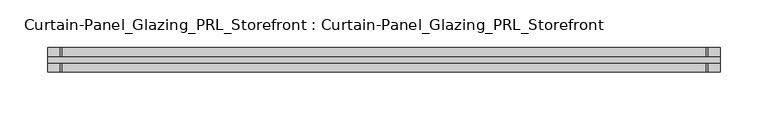
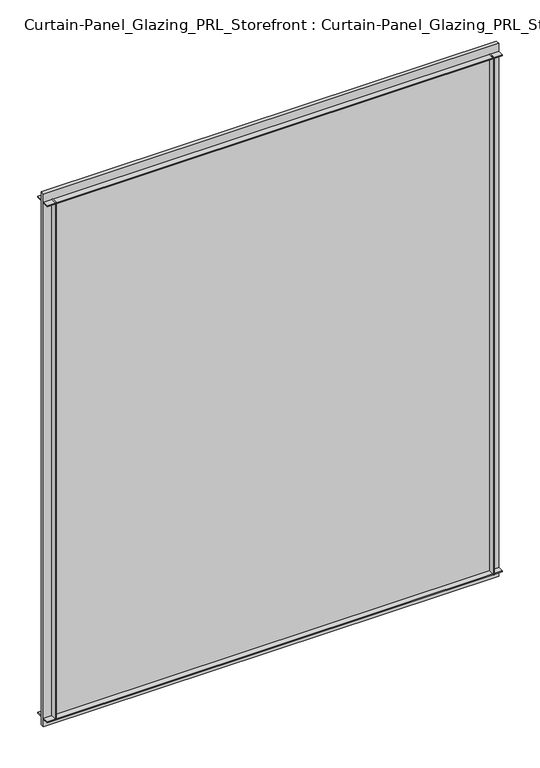
"""IFC4 building model written with IfcOpenShell, lengths in millimetres: plate geometry, Curtain-Panel_Glazing_PRL_Storefront : Curtain-Panel_Glazing_PRL_Storefront."""

from ifc_helpers import new_model, si_unit, frame, origin, origin_with_axes, place, context, project, spatial, polyline, outline, extrude, source, transform, mapped, element, save


def curtain_panel_glazing_prl_storefront_curtain_panel_glazing_c96a26b9(model_context):
    return source(origin(), model_context, "Body", "SweptSolid", [
        extrude(outline(polyline([(386.8208333, -12.7), (385.2333333, -12.7), (385.2333333, -3.175), (386.8208333, -3.175), (386.8208333, -12.7)])), frame((0.0, 0.0, 12.7), z_axis=(0.0, 0.0, 1.0), x_axis=(1.0, 0.0, 0.0)), (0.0, 0.0, 1.0), 841.375),
        extrude(outline(polyline([(386.8208333, 12.7), (386.8208333, 3.175), (385.2333333, 3.175), (385.2333333, 12.7), (386.8208333, 12.7)])), frame((0.0, 0.0, 12.7), z_axis=(0.0, 0.0, 1.0), x_axis=(1.0, 0.0, 0.0)), (0.0, 0.0, 1.0), 841.375),
        extrude(outline(polyline([(-288.3958333, -12.7), (-288.3958333, -3.175), (-286.8083333, -3.175), (-286.8083333, -12.7), (-288.3958333, -12.7)])), frame((0.0, 0.0, 12.7), z_axis=(0.0, 0.0, 1.0), x_axis=(1.0, 0.0, 0.0)), (0.0, 0.0, 1.0), 841.375),
        extrude(outline(polyline([(-288.3958333, 12.7), (-286.8083333, 12.7), (-286.8083333, 3.175), (-288.3958333, 3.175), (-288.3958333, 12.7)])), frame((0.0, 0.0, 12.7), z_axis=(0.0, 0.0, 1.0), x_axis=(1.0, 0.0, 0.0)), (0.0, 0.0, 1.0), 841.375),
        extrude(outline(polyline([(399.5208333, 3.175), (399.5208333, -3.175), (-301.0958333, -3.175), (-301.0958333, 3.175), (399.5208333, 3.175)])), origin_with_axes(), (0.0, 0.0, 1.0), 866.775),
        extrude(outline(polyline([(-301.0958333, -12.7), (-301.0958333, -3.175), (399.5208333, -3.175), (399.5208333, -12.7), (-301.0958333, -12.7)])), frame((0.0, 0.0, 852.4875), z_axis=(0.0, 0.0, 1.0), x_axis=(1.0, 0.0, 0.0)), (0.0, 0.0, 1.0), 1.5875),
        extrude(outline(polyline([(-301.0958333, 12.7), (399.5208333, 12.7), (399.5208333, 3.175), (-301.0958333, 3.175), (-301.0958333, 12.7)])), frame((0.0, 0.0, 852.4875), z_axis=(0.0, 0.0, 1.0), x_axis=(1.0, 0.0, 0.0)), (0.0, 0.0, 1.0), 1.5875),
        extrude(outline(polyline([(-301.0958333, -12.7), (-301.0958333, -3.175), (399.5208333, -3.175), (399.5208333, -12.7), (-301.0958333, -12.7)])), frame((0.0, 0.0, 12.7), z_axis=(0.0, 0.0, 1.0), x_axis=(1.0, 0.0, 0.0)), (0.0, 0.0, 1.0), 1.5875),
        extrude(outline(polyline([(-301.0958333, 12.7), (399.5208333, 12.7), (399.5208333, 3.175), (-301.0958333, 3.175), (-301.0958333, 12.7)])), frame((0.0, 0.0, 12.7), z_axis=(0.0, 0.0, 1.0), x_axis=(1.0, 0.0, 0.0)), (0.0, 0.0, 1.0), 1.5875),
    ])


if __name__ == "__main__":
    model = new_model("IFC4")
    model_context = context("Model", 3, world=origin())
    ifc_project = project(units=[si_unit("LENGTHUNIT", "METRE", prefix="MILLI")], contexts=[model_context])
    site = spatial("IfcSite", under=ifc_project)
    building = spatial("IfcBuilding", under=site)
    placement = place(None, origin())
    curtain_panel_glazing_prl_storefront_curtain_panel_glazing_shape = curtain_panel_glazing_prl_storefront_curtain_panel_glazing_c96a26b9(model_context)
    element("IfcPlate", 1, ObjectType="Curtain-Panel_Glazing_PRL_Storefront : Curtain-Panel_Glazing_PRL_Storefront", at=placement, inside=building, context=model_context, shape_type="MappedRepresentation", body=[
        mapped(curtain_panel_glazing_prl_storefront_curtain_panel_glazing_shape, transform((0.0, 0.0, 0.0), x_axis=(1.0, 0.0, 0.0), y_axis=(0.0, 1.0, 0.0), z_axis=(0.0, 0.0, 1.0))),
    ])
    save(model, "model.ifc")
